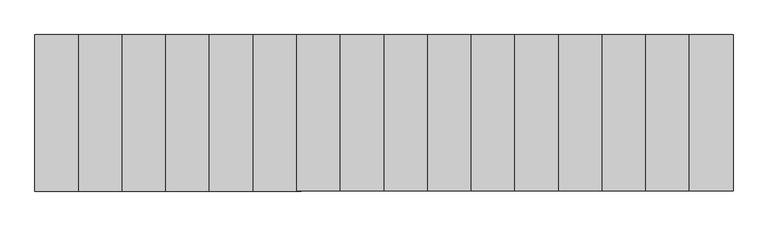
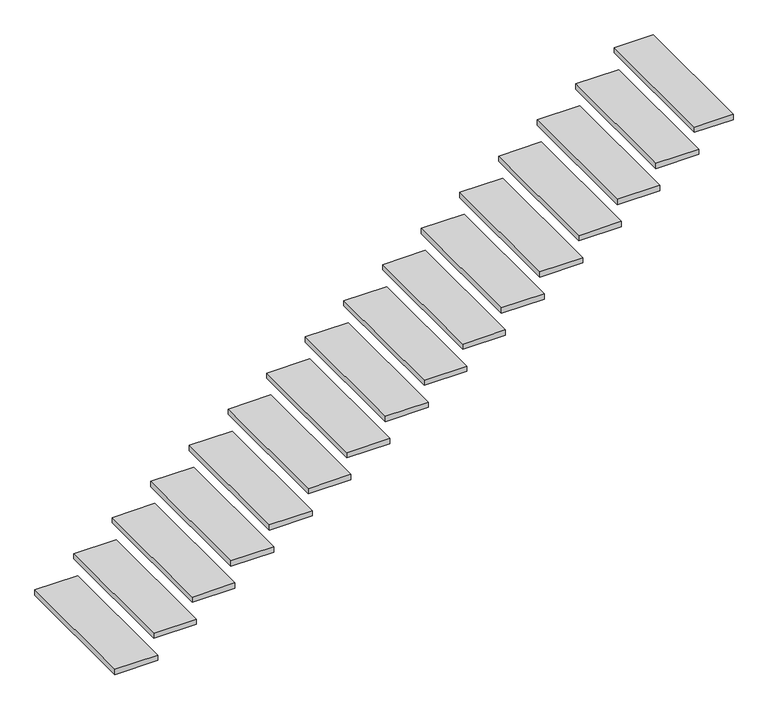
"""IFC4 building model written with IfcOpenShell, lengths in millimetres: stair flight geometry."""

from ifc_helpers import new_model, si_unit, frame, origin, place, context, project, spatial, polyline, outline, extrude, source, transform, mapped, element, save


def stair_flight_f57869cc(model_context):
    return source(origin(), model_context, "Body", "SweptSolid", [
        extrude(outline(polyline([(40328.75, 1000.0), (40328.75, 0.0), (40020.0, 0.0), (40020.0, 1000.0), (40328.75, 1000.0)])), frame((0.0, 0.0, 138.125), z_axis=(0.0, 0.0, 1.0), x_axis=(1.0, 0.0, 0.0)), (0.0, 0.0, 1.0), 40.0),
        extrude(outline(polyline([(40607.5, 1000.0), (40607.5, 0.0), (40298.75, 0.0), (40298.75, 1000.0), (40607.5, 1000.0)])), frame((0.0, 0.0, 316.25), z_axis=(0.0, 0.0, 1.0), x_axis=(1.0, 0.0, 0.0)), (0.0, 0.0, 1.0), 40.0),
        extrude(outline(polyline([(40886.25, 1000.0), (40886.25, 0.0), (40577.5, 0.0), (40577.5, 1000.0), (40886.25, 1000.0)])), frame((0.0, 0.0, 494.375), z_axis=(0.0, 0.0, 1.0), x_axis=(1.0, 0.0, 0.0)), (0.0, 0.0, 1.0), 40.0),
        extrude(outline(polyline([(41165.0, 1000.0), (41165.0, 0.0), (40856.25, 0.0), (40856.25, 1000.0), (41165.0, 1000.0)])), frame((0.0, 0.0, 672.5), z_axis=(0.0, 0.0, 1.0), x_axis=(1.0, 0.0, 0.0)), (0.0, 0.0, 1.0), 40.0),
        extrude(outline(polyline([(41443.75, 1000.0), (41443.75, 0.0), (41135.0, 0.0), (41135.0, 1000.0), (41443.75, 1000.0)])), frame((0.0, 0.0, 850.625), z_axis=(0.0, 0.0, 1.0), x_axis=(1.0, 0.0, 0.0)), (0.0, 0.0, 1.0), 40.0),
        extrude(outline(polyline([(41722.5, 1000.0), (41722.5, 0.0), (41413.75, 0.0), (41413.75, 1000.0), (41722.5, 1000.0)])), frame((0.0, 0.0, 1028.75), z_axis=(0.0, 0.0, 1.0), x_axis=(1.0, 0.0, 0.0)), (0.0, 0.0, 1.0), 40.0),
        extrude(outline(polyline([(42001.25, 1000.0), (42001.25, 0.0), (41692.5, 0.0), (41692.5, 1000.0), (42001.25, 1000.0)])), frame((0.0, 0.0, 1206.875), z_axis=(0.0, 0.0, 1.0), x_axis=(1.0, 0.0, 0.0)), (0.0, 0.0, 1.0), 40.0),
        extrude(outline(polyline([(42280.0, 1000.0), (42280.0, 0.0), (41971.25, 0.0), (41971.25, 1000.0), (42280.0, 1000.0)])), frame((0.0, 0.0, 1385.0), z_axis=(0.0, 0.0, 1.0), x_axis=(1.0, 0.0, 0.0)), (0.0, 0.0, 1.0), 40.0),
        extrude(outline(polyline([(42558.75, 1000.0), (42558.75, 0.0), (42250.0, 0.0), (42250.0, 1000.0), (42558.75, 1000.0)])), frame((0.0, 0.0, 1563.125), z_axis=(0.0, 0.0, 1.0), x_axis=(1.0, 0.0, 0.0)), (0.0, 0.0, 1.0), 40.0),
        extrude(outline(polyline([(42837.5, 1000.0), (42837.5, 0.0), (42528.75, 0.0), (42528.75, 1000.0), (42837.5, 1000.0)])), frame((0.0, 0.0, 1741.25), z_axis=(0.0, 0.0, 1.0), x_axis=(1.0, 0.0, 0.0)), (0.0, 0.0, 1.0), 40.0),
        extrude(outline(polyline([(43116.25, 1000.0), (43116.25, 0.0), (42807.5, 0.0), (42807.5, 1000.0), (43116.25, 1000.0)])), frame((0.0, 0.0, 1919.375), z_axis=(0.0, 0.0, 1.0), x_axis=(1.0, 0.0, 0.0)), (0.0, 0.0, 1.0), 40.0),
        extrude(outline(polyline([(43395.0, 1000.0), (43395.0, 0.0), (43086.25, 0.0), (43086.25, 1000.0), (43395.0, 1000.0)])), frame((0.0, 0.0, 2097.5), z_axis=(0.0, 0.0, 1.0), x_axis=(1.0, 0.0, 0.0)), (0.0, 0.0, 1.0), 40.0),
        extrude(outline(polyline([(43673.75, 1000.0), (43673.75, 0.0), (43365.0, 0.0), (43365.0, 1000.0), (43673.75, 1000.0)])), frame((0.0, 0.0, 2275.625), z_axis=(0.0, 0.0, 1.0), x_axis=(1.0, 0.0, 0.0)), (0.0, 0.0, 1.0), 40.0),
        extrude(outline(polyline([(43952.5, 1000.0), (43952.5, 0.0), (43643.75, 0.0), (43643.75, 1000.0), (43952.5, 1000.0)])), frame((0.0, 0.0, 2453.75), z_axis=(0.0, 0.0, 1.0), x_axis=(1.0, 0.0, 0.0)), (0.0, 0.0, 1.0), 40.0),
        extrude(outline(polyline([(44231.25, 1000.0), (44231.25, 0.0), (43922.5, 0.0), (43922.5, 1000.0), (44231.25, 1000.0)])), frame((0.0, 0.0, 2631.875), z_axis=(0.0, 0.0, 1.0), x_axis=(1.0, 0.0, 0.0)), (0.0, 0.0, 1.0), 40.0),
        extrude(outline(polyline([(44480.0, 1000.0), (44480.0, 0.0), (44201.25, 0.0), (44201.25, 1000.0), (44480.0, 1000.0)])), frame((0.0, 0.0, 2810.0), z_axis=(0.0, 0.0, 1.0), x_axis=(1.0, 0.0, 0.0)), (0.0, 0.0, 1.0), 40.0),
    ])


if __name__ == "__main__":
    model = new_model("IFC4")
    model_context = context("Model", 3, world=origin())
    ifc_project = project(units=[si_unit("LENGTHUNIT", "METRE", prefix="MILLI")], contexts=[model_context])
    site = spatial("IfcSite", under=ifc_project)
    building = spatial("IfcBuilding", under=site)
    placement = place(None, origin())
    stair_flight_shape = stair_flight_f57869cc(model_context)
    element("IfcStairFlight", 1, at=placement, inside=building, context=model_context, shape_type="MappedRepresentation", body=[
        mapped(stair_flight_shape, transform((0.0, 0.0, 0.0), x_axis=(1.0, 0.0, 0.0), y_axis=(0.0, 1.0, 0.0), z_axis=(0.0, 0.0, 1.0))),
    ])
    save(model, "model.ifc")
